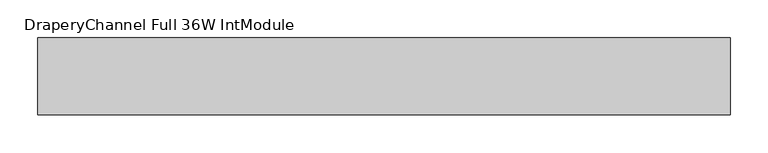
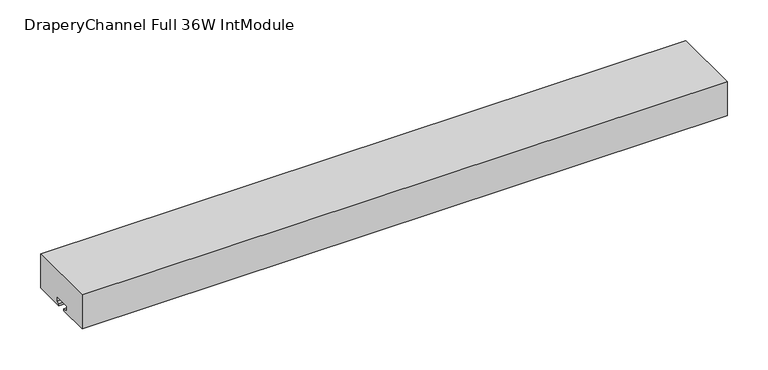
"""IFC4 building model written with IfcOpenShell, lengths in millimetres: furniture geometry, DraperyChannel Full 36W IntModule."""

from ifc_helpers import new_model, si_unit, frame, origin, place, context, project, spatial, polyline, outline, extrude, source, transform, mapped, element, save


def draperychannel_full_36w_intmodule_41a01831(model_context):
    return source(origin(), model_context, "Body", "SweptSolid", [
        extrude(outline(polyline([(-101.6, 2286.0), (0.0, 2286.0), (0.0, 2235.2), (-44.831, 2235.2), (-44.831, 2238.5528), (-39.0097688, 2238.5528), (-39.0097688, 2246.0458), (-63.8255688, 2246.0458), (-63.8255688, 2238.5528), (-56.769, 2238.5528), (-56.769, 2235.2), (-101.6, 2235.2), (-101.6, 2286.0)])), frame((50.8, 0.0, 0.0), z_axis=(1.0, 0.0, 0.0), x_axis=(0.0, 1.0, 0.0)), (0.0, 0.0, 1.0), 914.4),
    ])


if __name__ == "__main__":
    model = new_model("IFC4")
    model_context = context("Model", 3, world=origin())
    ifc_project = project(units=[si_unit("LENGTHUNIT", "METRE", prefix="MILLI")], contexts=[model_context])
    site = spatial("IfcSite", under=ifc_project)
    building = spatial("IfcBuilding", under=site)
    placement = place(None, origin())
    draperychannel_full_36w_intmodule_shape = draperychannel_full_36w_intmodule_41a01831(model_context)
    element("IfcFurniture", 1, ObjectType="DraperyChannel Full 36W IntModule", at=placement, inside=building, context=model_context, shape_type="MappedRepresentation", body=[
        mapped(draperychannel_full_36w_intmodule_shape, transform((0.0, 0.0, 0.0), x_axis=(1.0, 0.0, 0.0), y_axis=(0.0, 1.0, 0.0), z_axis=(0.0, 0.0, 1.0))),
    ])
    save(model, "model.ifc")
